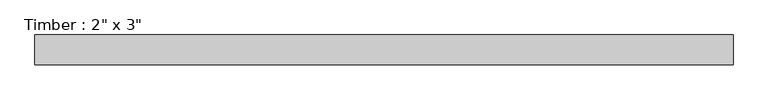
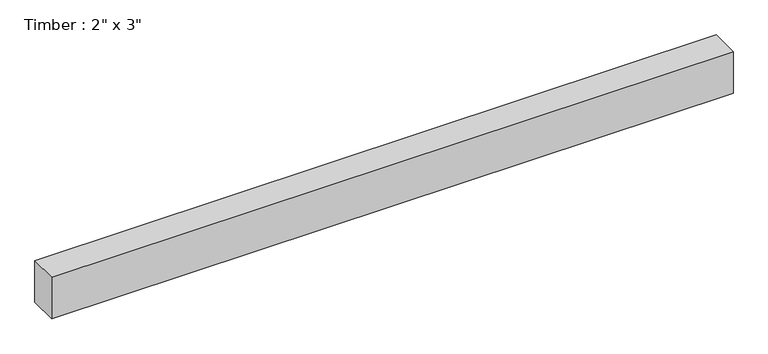
"""IFC4 building model written with IfcOpenShell, lengths in millimetres: beam geometry."""

from ifc_helpers import new_model, si_unit, frame, origin, place, context, project, spatial, polyline, outline, extrude, source, transform, mapped, element, save


def beam_ccd0991d(model_context):
    return source(origin(), model_context, "Body", "SweptSolid", [
        extrude(outline(polyline([(590.55, 25.4), (590.55, -25.4), (-590.55, -25.4), (-590.55, 25.4), (590.55, 25.4)])), frame((0.0, 0.0, -38.1), z_axis=(0.0, 0.0, 1.0), x_axis=(1.0, 0.0, 0.0)), (0.0, 0.0, 1.0), 76.2),
    ])


if __name__ == "__main__":
    model = new_model("IFC4")
    model_context = context("Model", 3, world=origin())
    ifc_project = project(units=[si_unit("LENGTHUNIT", "METRE", prefix="MILLI")], contexts=[model_context])
    site = spatial("IfcSite", under=ifc_project)
    building = spatial("IfcBuilding", under=site)
    placement = place(None, origin())
    beam_shape = beam_ccd0991d(model_context)
    element("IfcBeam", 1, ObjectType="Timber : 2\" x 3\"", at=placement, inside=building, context=model_context, shape_type="MappedRepresentation", body=[
        mapped(beam_shape, transform((0.0, 0.0, 0.0), x_axis=(1.0, 0.0, 0.0), y_axis=(0.0, 1.0, 0.0), z_axis=(0.0, 0.0, 1.0))),
    ])
    save(model, "model.ifc")
